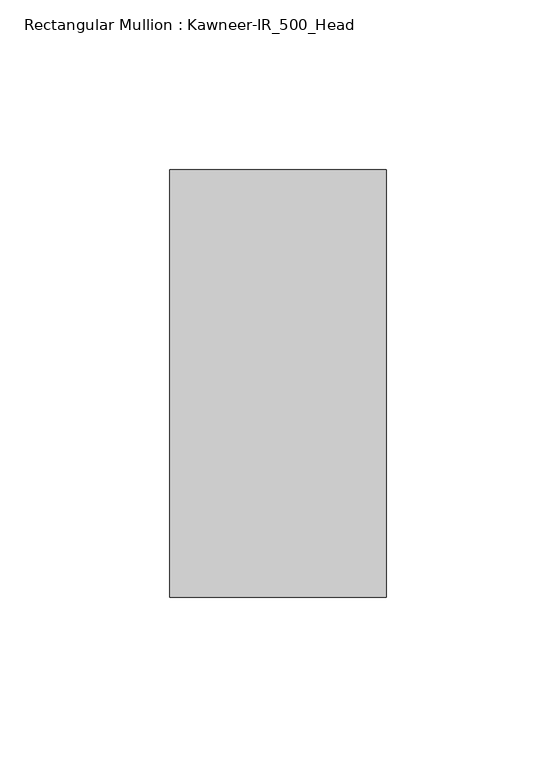
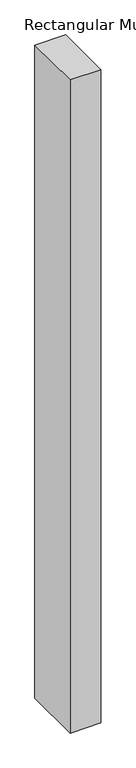
"""IFC4 building model written with IfcOpenShell, lengths in millimetres: member geometry, Rectangular Mullion : Kawneer-IR_500_Head."""

from ifc_helpers import new_model, si_unit, frame, origin, place, context, project, spatial, polyline, outline, extrude, source, transform, mapped, element, save


def rectangular_mullion_kawneer_ir_500_head_545f0da5(model_context):
    return source(origin(), model_context, "Body", "SweptSolid", [
        extrude(outline(polyline([(-63.6202663, 62.8904), (0.0, 62.8904), (0.0, -62.8904), (-63.6202663, -62.8904), (-63.6202663, 62.8904)])), frame((0.0, 0.0, -1428.5696006), z_axis=(0.0, 0.0, 1.0), x_axis=(1.0, 0.0, 0.0)), (0.0, 0.0, 1.0), 1428.5696006),
    ])


if __name__ == "__main__":
    model = new_model("IFC4")
    model_context = context("Model", 3, world=origin())
    ifc_project = project(units=[si_unit("LENGTHUNIT", "METRE", prefix="MILLI")], contexts=[model_context])
    site = spatial("IfcSite", under=ifc_project)
    building = spatial("IfcBuilding", under=site)
    placement = place(None, origin())
    rectangular_mullion_kawneer_ir_500_head_shape = rectangular_mullion_kawneer_ir_500_head_545f0da5(model_context)
    element("IfcMember", 1, ObjectType="Rectangular Mullion : Kawneer-IR_500_Head", at=placement, inside=building, context=model_context, shape_type="MappedRepresentation", body=[
        mapped(rectangular_mullion_kawneer_ir_500_head_shape, transform((0.0, 0.0, 0.0), x_axis=(1.0, 0.0, 0.0), y_axis=(0.0, 1.0, 0.0), z_axis=(0.0, 0.0, 1.0))),
    ])
    save(model, "model.ifc")
